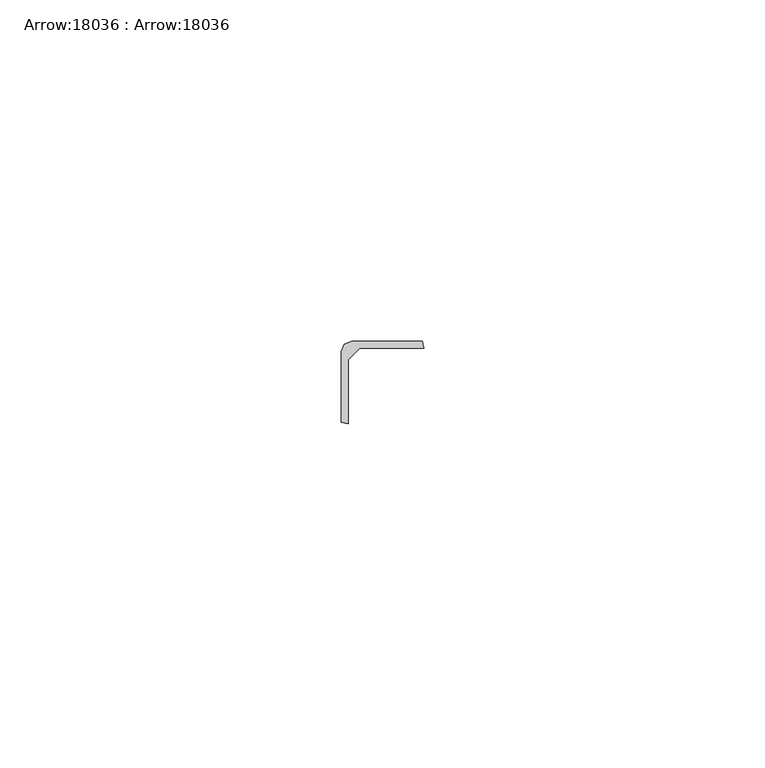
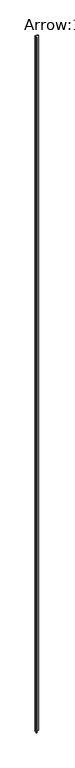
"""IFC4 building model written with IfcOpenShell, lengths in millimetres: column geometry, Arrow:18036 : Arrow:18036."""

import ifcopenshell
import ifcopenshell.guid

model = None  # the IFC model being written
_history = None  # IfcOwnerHistory: only IFC2X3 demands one
_inside = {}  # id of a spatial element -> (the spatial element, [elements in it])
_under = {}  # id of a project, library or spatial element -> (it, [spatial elements below it])
_declared = {}  # id of a project -> (the project, [libraries it declares])
_typed = {}  # id of a type object -> (the type object, [elements of that type])
_made_of = {}  # id of a material, layer set ... -> (it, [elements and type objects made of it])


def new_model(schema):
    """Start an empty IFC model of exactly this schema.

    Asked for "IFC4X3", IfcOpenShell would pick the latest addendum, in which some entities
    have other attributes; the version numbers below select the first issue.
    IFC2X3 requires an IfcOwnerHistory on every rooted entity: one is made here for all.
    """
    global model, _history
    if schema == "IFC4X3":
        model = ifcopenshell.file(schema_version=(4, 3, 0, 0))
    else:
        model = ifcopenshell.file(schema=schema)
    _inside.clear()
    _under.clear()
    _declared.clear()
    _typed.clear()
    _made_of.clear()
    _history = None
    if model.schema == "IFC2X3":
        org = make("IfcOrganization", Name="unknown")
        user = make(
            "IfcPersonAndOrganization",
            ThePerson=make("IfcPerson", FamilyName="unknown"),
            TheOrganization=org,
        )
        app = make(
            "IfcApplication",
            ApplicationDeveloper=org,
            Version="unknown",
            ApplicationFullName="unknown",
            ApplicationIdentifier="unknown",
        )
        _history = make(
            "IfcOwnerHistory",
            OwningUser=user,
            OwningApplication=app,
            ChangeAction="ADDED",
            CreationDate=0,
        )
    return model


def make(cls, **values):
    """One entity of the class cls with the attributes given. An attribute that is None is left unset."""
    return model.create_entity(
        cls, **{name: value for name, value in values.items() if value is not None}
    )


def rooted(cls, **values):
    """An entity with a GlobalId (a new one), such as an element, a storey or a relation."""
    return make(cls, GlobalId=ifcopenshell.guid.new(), OwnerHistory=_history, **values)


def si_unit(unit_type, name, prefix=None):
    """IfcSIUnit, for example si_unit("LENGTHUNIT", "METRE", prefix="MILLI")."""
    return make("IfcSIUnit", UnitType=unit_type, Prefix=prefix, Name=name)


def assignment(units):
    """IfcUnitAssignment: the units of a project."""
    return None if units is None else make("IfcUnitAssignment", Units=units)


def point(xyz):
    """IfcCartesianPoint."""
    return None if xyz is None else make("IfcCartesianPoint", Coordinates=xyz)


def direction(xyz):
    """IfcDirection."""
    return None if xyz is None else make("IfcDirection", DirectionRatios=xyz)


def frame(location, z_axis=None, x_axis=None):
    """IfcAxis2Placement3D, a coordinate frame: its origin and axes. An axis left out is left unset."""
    return make(
        "IfcAxis2Placement3D",
        Location=point(location),
        Axis=direction(z_axis),
        RefDirection=direction(x_axis),
    )


def origin():
    """The frame at (0, 0, 0) with its axes left unset."""
    return frame((0.0, 0.0, 0.0))


def place(relative_to, where):
    """IfcLocalPlacement: puts the frame where relative to a parent placement (None: the world)."""
    return make(
        "IfcLocalPlacement", PlacementRelTo=relative_to, RelativePlacement=where
    )


def context(
    kind, dimensions, precision=None, world=None, true_north=None, identifier=None
):
    """IfcGeometricRepresentationContext, for example the 3D "Model" context."""
    return make(
        "IfcGeometricRepresentationContext",
        ContextIdentifier=identifier,
        ContextType=kind,
        CoordinateSpaceDimension=dimensions,
        Precision=precision,
        WorldCoordinateSystem=world,
        TrueNorth=true_north,
    )


def project(units=None, contexts=None):
    """IfcProject with its units and contexts."""
    return rooted(
        "IfcProject",
        Name="project",
        RepresentationContexts=contexts,
        UnitsInContext=assignment(units),
    )


def spatial(cls, under=None, at=None, **own):
    """A site, building, storey or space (cls), placed at a placement, below another one or the project."""
    s = rooted(cls, ObjectPlacement=at, **own)
    if under is not None:
        _under.setdefault(under.id(), (under, []))[1].append(s)
    return s


def polyline(points):
    """IfcPolyline through the points."""
    return make("IfcPolyline", Points=[point(p) for p in points])


def outline(outer, holes=None, kind="AREA"):
    """IfcArbitraryClosedProfileDef: a profile drawn as a closed curve; with holes, ...WithVoids."""
    if holes is None:
        return make("IfcArbitraryClosedProfileDef", ProfileType=kind, OuterCurve=outer)
    return make(
        "IfcArbitraryProfileDefWithVoids",
        ProfileType=kind,
        OuterCurve=outer,
        InnerCurves=holes,
    )


def extrude(swept, where, along, depth):
    """IfcExtrudedAreaSolid: the profile swept, set in the frame where, extruded along a direction by depth."""
    return make(
        "IfcExtrudedAreaSolid",
        SweptArea=swept,
        Position=where,
        ExtrudedDirection=direction(along),
        Depth=depth,
    )


def shape(context_of_items, identifier, shape_type, items):
    """IfcShapeRepresentation: the items that make up one representation, for example the "Body"."""
    return make(
        "IfcShapeRepresentation",
        ContextOfItems=context_of_items,
        RepresentationIdentifier=identifier,
        RepresentationType=shape_type,
        Items=items,
    )


def source(mapping_origin, context_of_items, identifier, shape_type, items):
    """IfcRepresentationMap: a shape defined once, which mapped items show again and again."""
    return make(
        "IfcRepresentationMap",
        MappingOrigin=mapping_origin,
        MappedRepresentation=shape(context_of_items, identifier, shape_type, items),
    )


def transform(
    local_origin,
    x_axis=None,
    y_axis=None,
    z_axis=None,
    scale=None,
    scale2=None,
    scale3=None,
    uniform=True,
):
    """IfcCartesianTransformationOperator3D, or its non-uniform kind. x_axis, y_axis, z_axis: its Axis1, 2, 3."""
    if uniform:
        return make(
            "IfcCartesianTransformationOperator3D",
            Axis1=direction(x_axis),
            Axis2=direction(y_axis),
            LocalOrigin=point(local_origin),
            Scale=scale,
            Axis3=direction(z_axis),
        )
    return make(
        "IfcCartesianTransformationOperator3DnonUniform",
        Axis1=direction(x_axis),
        Axis2=direction(y_axis),
        LocalOrigin=point(local_origin),
        Scale=scale,
        Axis3=direction(z_axis),
        Scale2=scale2,
        Scale3=scale3,
    )


def mapped(mapping_source, mapping_target):
    """IfcMappedItem: shows the shape of a source again, moved by a transform."""
    return make(
        "IfcMappedItem", MappingSource=mapping_source, MappingTarget=mapping_target
    )


def made_of(thing, what):
    """Note that an element or type object is made of a material, layer set ...; save() writes the relation."""
    if what is not None:
        _made_of.setdefault(what.id(), (what, []))[1].append(thing)
    return thing


def element(
    cls,
    number,
    at=None,
    inside=None,
    cuts=None,
    type_object=None,
    material=None,
    context=None,
    identifier="Body",
    shape_type=None,
    held_by="IfcProductDefinitionShape",
    body=None,
    shapes=None,
    **own,
):
    """One element of the class cls, such as IfcWall. Its Tag is "e" and its number.

    at: its placement. inside: the storey or other place that contains it. cuts: it is an
    opening in that element (IfcRelVoidsElement). A single representation is given by context,
    identifier, shape_type and body (its items); several are given by shapes. held_by: the class
    of the entity that holds the representations. save() writes the other relations.
    """
    e = rooted(cls, Tag="e%d" % number, ObjectPlacement=at, **own)
    if body is not None:
        shapes = [shape(context, identifier, shape_type, body)]
    if shapes is not None:
        e.Representation = make(held_by, Representations=shapes)
    if inside is not None:
        _inside.setdefault(inside.id(), (inside, []))[1].append(e)
    if cuts is not None:
        rooted(
            "IfcRelVoidsElement", RelatingBuildingElement=cuts, RelatedOpeningElement=e
        )
    if type_object is not None:
        _typed.setdefault(type_object.id(), (type_object, []))[1].append(e)
    return made_of(e, material)


def aggregate(whole, parts):
    """IfcRelAggregates: a whole, such as a stair, and the parts it consists of."""
    return rooted("IfcRelAggregates", RelatingObject=whole, RelatedObjects=parts)


def save(model, path):
    """Write the relations noted so far, then the file.

    IfcRelAggregates (storeys below a building ...), IfcRelContainedInSpatialStructure (elements
    in a storey), IfcRelDefinesByType, IfcRelAssociatesMaterial and IfcRelDeclares: one each for
    every whole, place, type object, material and project.
    """
    for whole, parts in _under.values():
        aggregate(whole, parts)
    for where, things in _inside.values():
        rooted(
            "IfcRelContainedInSpatialStructure",
            RelatedElements=things,
            RelatingStructure=where,
        )
    for kind, things in _typed.values():
        rooted("IfcRelDefinesByType", RelatedObjects=things, RelatingType=kind)
    for what, things in _made_of.values():
        rooted("IfcRelAssociatesMaterial", RelatedObjects=things, RelatingMaterial=what)
    for by, libraries in _declared.values():
        rooted("IfcRelDeclares", RelatingContext=by, RelatedDefinitions=libraries)
    model.write(path)


def arrow_18036_arrow_18036_44b86b3f(model_context):
    return source(origin(), model_context, "Body", "SweptSolid", [
        extrude(outline(polyline([(45825.891203, -39364.608088), (45836.23167, -39364.608088), (45836.485924, -39365.6281774), (45827.0787292, -39365.6219798), (45825.3796216, -39367.3210874), (45825.3827204, -39376.731381), (45824.3688286, -39376.4740282), (45824.3688286, -39366.13666), (45824.8091122, -39365.0545692), (45825.891203, -39364.608088)])), frame((0.0, 0.0, 4445.001778), z_axis=(0.0, 0.0, 1.0), x_axis=(1.0, 0.0, 0.0)), (0.0, 0.0, 1.0), 2545.0498502),
        extrude(outline(polyline([(45825.891203, -39364.608088), (45836.23167, -39364.608088), (45836.485924, -39365.6281774), (45827.0787292, -39365.6219798), (45825.3796216, -39367.3210874), (45825.3827204, -39376.731381), (45824.3688286, -39376.4740282), (45824.3688286, -39366.13666), (45824.8091122, -39365.0545692), (45825.891203, -39364.608088)])), frame((0.0, 0.0, 4445.001778), z_axis=(0.0, 0.0, 1.0), x_axis=(1.0, 0.0, 0.0)), (0.0, 0.0, 1.0), 2545.0498502),
    ])


if __name__ == "__main__":
    model = new_model("IFC4")
    model_context = context("Model", 3, world=origin())
    ifc_project = project(units=[si_unit("LENGTHUNIT", "METRE", prefix="MILLI")], contexts=[model_context])
    site = spatial("IfcSite", under=ifc_project)
    building = spatial("IfcBuilding", under=site)
    placement = place(None, origin())
    arrow_18036_arrow_18036_shape = arrow_18036_arrow_18036_44b86b3f(model_context)
    element("IfcColumn", 1, ObjectType="Arrow:18036 : Arrow:18036", at=placement, inside=building, context=model_context, shape_type="MappedRepresentation", body=[
        mapped(arrow_18036_arrow_18036_shape, transform((0.0, 0.0, 0.0), x_axis=(1.0, 0.0, 0.0), y_axis=(0.0, 1.0, 0.0), z_axis=(0.0, 0.0, 1.0))),
    ])
    save(model, "model.ifc")
